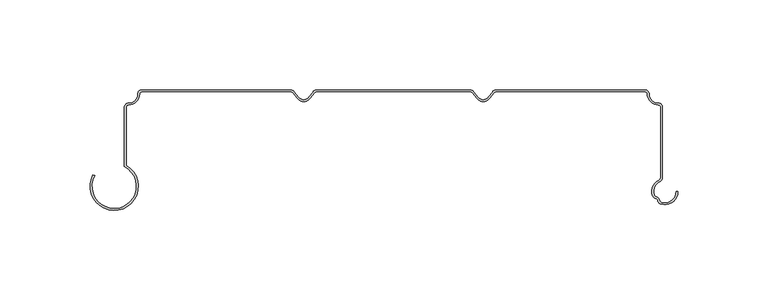
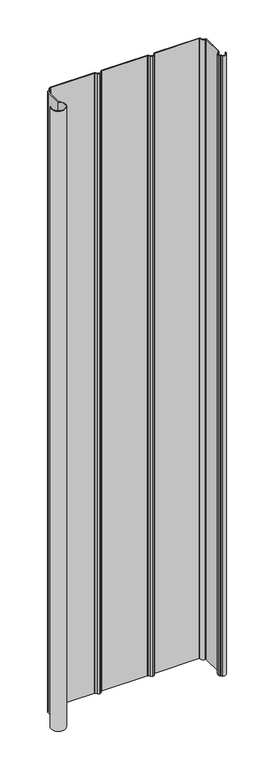
"""IFC4 building model written with IfcOpenShell, lengths in millimetres: plate geometry."""

from ifc_helpers import new_model, si_unit, point, frame_2d, origin, origin_with_axes, place, context, project, spatial, polyline, circle_curve, trimmed, segment, composite_curve, outline, extrude, source, transform, mapped, element, save


def plate_9a48e302(model_context):
    return source(origin(), model_context, "Body", "SweptSolid", [
        extrude(outline(composite_curve([segment(polyline([(56.6548352, 0.0), (139.6937357, 0.0)]), True, "CONTINUOUS"), segment(trimmed(circle_curve(frame_2d((139.6937357, -2.11836)), 2.11836), [point((139.6937357, 0.0))], [point((141.8120957, -2.11836))], False, "CARTESIAN"), True, "CONTINUOUS"), segment(trimmed(circle_curve(frame_2d((146.9540092, -2.11836)), 5.1419135), [point((141.8120957, -2.11836))], [point((146.9540091, -7.2602736))], True, "CARTESIAN"), True, "CONTINUOUS"), segment(trimmed(circle_curve(frame_2d((146.9540092, -9.5312641)), 2.2709905), [point((146.9540091, -7.2602736))], [point((149.2249996, -9.5312641))], False, "CARTESIAN"), True, "CONTINUOUS"), segment(polyline([(149.2249996, -9.5312641), (149.2249996, -48.255917)]), True, "CONTINUOUS"), segment(trimmed(circle_curve(frame_2d((146.0499997, -48.255917)), 3.1749999), [point((149.2249996, -48.255917))], [point((147.5667504, -51.0451986))], False, "CARTESIAN"), True, "CONTINUOUS"), segment(trimmed(circle_curve(frame_2d((150.5370539, -56.5075419)), 6.2177084), [point((147.5667504, -51.0451986))], [point((144.5477307, -58.1772442))], True, "CARTESIAN"), True, "CONTINUOUS"), segment(trimmed(circle_curve(frame_2d((146.0769196, -57.7509373)), 1.5875), [point((144.5477307, -58.1772442))], [point((145.7615584, -59.3067983))], True, "CARTESIAN"), True, "CONTINUOUS"), segment(trimmed(circle_curve(frame_2d((145.3071196, -61.5488102)), 2.287604), [point((145.7615584, -59.3067983))], [point((147.5643081, -61.1770147))], False, "CARTESIAN"), True, "CONTINUOUS"), segment(trimmed(circle_curve(frame_2d((149.1307011, -60.9190044)), 1.5875), [point((147.5643081, -61.1770147))], [point((148.6485231, -62.4315059))], True, "CARTESIAN"), True, "CONTINUOUS"), segment(trimmed(circle_curve(frame_2d((150.5370539, -56.5075419)), 6.2177083), [point((148.6485231, -62.4315059))], [point((156.7546724, -56.4741188))], True, "CARTESIAN"), True, "CONTINUOUS"), segment(polyline([(156.7546724, -56.4741188), (157.7706577, -56.4686574)]), True, "CONTINUOUS"), segment(trimmed(circle_curve(frame_2d((150.5370539, -56.5075419)), 7.2337083), [point((157.7706577, -56.4686574))], [point((148.3399291, -63.3995067))], False, "CARTESIAN"), True, "CONTINUOUS"), segment(trimmed(circle_curve(frame_2d((149.1307011, -60.9190044)), 2.6035), [point((148.3399291, -63.3995067))], [point((146.5618166, -61.3421413))], False, "CARTESIAN"), True, "CONTINUOUS"), segment(trimmed(circle_curve(frame_2d((145.3071196, -61.5488102)), 1.271604), [point((146.5618166, -61.3421413))], [point((145.5597272, -60.3025494))], True, "CARTESIAN"), True, "CONTINUOUS"), segment(trimmed(circle_curve(frame_2d((146.0769196, -57.7509373)), 2.6035), [point((145.5597272, -60.3025494))], [point((143.5690499, -58.4500807))], False, "CARTESIAN"), True, "CONTINUOUS"), segment(trimmed(circle_curve(frame_2d((150.5370539, -56.5075419)), 7.2337083), [point((143.5690499, -58.4500807))], [point((147.0813902, -50.1526285))], False, "CARTESIAN"), True, "CONTINUOUS"), segment(trimmed(circle_curve(frame_2d((146.0499997, -48.255917)), 2.159), [point((147.0813902, -50.1526285))], [point((148.2089997, -48.255917))], True, "CARTESIAN"), True, "CONTINUOUS"), segment(polyline([(148.2089997, -48.255917), (148.2089997, -9.5312641)]), True, "CONTINUOUS"), segment(trimmed(circle_curve(frame_2d((146.9540092, -9.5312641)), 1.2549906), [point((148.2089997, -9.5312641))], [point((146.9540092, -8.2762735))], True, "CARTESIAN"), True, "CONTINUOUS"), segment(trimmed(circle_curve(frame_2d((146.9540092, -2.11836)), 6.1579135), [point((146.9540092, -8.2762735))], [point((140.7960956, -2.11836))], False, "CARTESIAN"), True, "CONTINUOUS"), segment(trimmed(circle_curve(frame_2d((139.6937357, -2.11836)), 1.10236), [point((140.7960956, -2.11836))], [point((139.6937357, -1.016))], True, "CARTESIAN"), True, "CONTINUOUS"), segment(polyline([(139.6937357, -1.016), (56.7878615, -1.016)]), True, "CONTINUOUS"), segment(trimmed(circle_curve(frame_2d((56.9390147, -2.5726732)), 1.5639945), [point((56.7878615, -1.016))], [point((55.6647332, -1.6658736))], True, "CARTESIAN"), True, "CONTINUOUS"), segment(polyline([(55.6647332, -1.6658736), (53.4125307, -4.4520544)]), True, "CONTINUOUS"), segment(trimmed(circle_curve(frame_2d((49.4761067, -1.8878413)), 4.6979382), [point((53.4125307, -4.4520544))], [point((49.786951, -6.5754845))], False, "CARTESIAN"), True, "CONTINUOUS"), segment(trimmed(circle_curve(frame_2d((50.0968549, -1.8877792)), 4.697938), [point((49.786951, -6.5754845))], [point((46.1609447, -4.4527805))], False, "CARTESIAN"), True, "CONTINUOUS"), segment(polyline([(46.1609447, -4.4527805), (43.9081842, -1.6670508)]), True, "CONTINUOUS"), segment(trimmed(circle_curve(frame_2d((42.6310087, -2.5773045)), 1.5683556), [point((43.9081842, -1.6670508))], [point((42.7795597, -1.016))], True, "CARTESIAN"), True, "CONTINUOUS"), segment(polyline([(42.7795597, -1.016), (-42.786036, -1.016)]), True, "CONTINUOUS"), segment(trimmed(circle_curve(frame_2d((-42.6348829, -2.5726732)), 1.5639945), [point((-42.786036, -1.016))], [point((-43.9091643, -1.6658736))], True, "CARTESIAN"), True, "CONTINUOUS"), segment(polyline([(-43.9091643, -1.6658736), (-46.1613668, -4.4520544)]), True, "CONTINUOUS"), segment(trimmed(circle_curve(frame_2d((-50.0977909, -1.8878413)), 4.6979382), [point((-46.1613668, -4.4520544))], [point((-49.7869466, -6.5754845))], False, "CARTESIAN"), True, "CONTINUOUS"), segment(trimmed(circle_curve(frame_2d((-49.4770426, -1.8877792)), 4.697938), [point((-49.7869466, -6.5754845))], [point((-53.4129529, -4.4527805))], False, "CARTESIAN"), True, "CONTINUOUS"), segment(polyline([(-53.4129529, -4.4527805), (-55.6657133, -1.6670508)]), True, "CONTINUOUS"), segment(trimmed(circle_curve(frame_2d((-56.9428889, -2.5773045)), 1.5683556), [point((-55.6657133, -1.6670508))], [point((-56.7943378, -1.016))], True, "CARTESIAN"), True, "CONTINUOUS"), segment(polyline([(-56.7943378, -1.016), (-139.6937356, -1.016)]), True, "CONTINUOUS"), segment(trimmed(circle_curve(frame_2d((-139.6937356, -2.11836)), 1.10236), [point((-139.6937356, -1.016))], [point((-140.7960956, -2.11836))], True, "CARTESIAN"), True, "CONTINUOUS"), segment(trimmed(circle_curve(frame_2d((-146.9540091, -2.11836)), 6.1579136), [point((-140.7960956, -2.11836))], [point((-146.954009, -8.2762736))], False, "CARTESIAN"), True, "CONTINUOUS"), segment(trimmed(circle_curve(frame_2d((-146.954009, -9.531264)), 1.2549905), [point((-146.954009, -8.2762736))], [point((-148.2089995, -9.531264))], True, "CARTESIAN"), True, "CONTINUOUS"), segment(polyline([(-148.2089995, -9.531264), (-148.2089995, -41.9030792)]), True, "CONTINUOUS"), segment(trimmed(circle_curve(frame_2d((-154.8805878, -53.5211117)), 13.3973418), [point((-148.2089995, -41.9030792))], [point((-166.6360418, -47.0947543))], False, "CARTESIAN"), True, "CONTINUOUS"), segment(polyline([(-166.6360418, -47.0947543), (-165.7445559, -47.5821032)]), True, "CONTINUOUS"), segment(trimmed(circle_curve(frame_2d((-154.8805878, -53.5211117)), 12.3813418), [point((-165.7445559, -47.5821032))], [point((-149.2249995, -42.5069414))], True, "CARTESIAN"), True, "CONTINUOUS"), segment(polyline([(-149.2249995, -42.5069414), (-149.2249995, -9.531264)]), True, "CONTINUOUS"), segment(trimmed(circle_curve(frame_2d((-146.954009, -9.531264)), 2.2709905), [point((-149.2249995, -9.531264))], [point((-146.9540091, -7.2602736))], False, "CARTESIAN"), True, "CONTINUOUS"), segment(trimmed(circle_curve(frame_2d((-146.9540091, -2.11836)), 5.1419136), [point((-146.9540091, -7.2602736))], [point((-141.8120956, -2.11836))], True, "CARTESIAN"), True, "CONTINUOUS"), segment(trimmed(circle_curve(frame_2d((-139.6937356, -2.11836)), 2.11836), [point((-141.8120956, -2.11836))], [point((-139.6937356, 0.0))], False, "CARTESIAN"), True, "CONTINUOUS"), segment(polyline([(-139.6937356, 0.0), (-56.730755, 0.0)]), True, "CONTINUOUS"), segment(trimmed(circle_curve(frame_2d((-56.9262942, -2.3343375)), 2.342513), [point((-56.730755, 0.0))], [point((-54.9776099, -1.0343389))], False, "CARTESIAN"), True, "CONTINUOUS"), segment(polyline([(-54.9776099, -1.0343389), (-52.7248495, -3.8200686)]), True, "CONTINUOUS"), segment(trimmed(circle_curve(frame_2d((-49.4770426, -1.6534042)), 3.904188), [point((-52.7248495, -3.8200686))], [point((-49.787027, -5.5452667))], True, "CARTESIAN"), True, "CONTINUOUS"), segment(trimmed(circle_curve(frame_2d((-50.0977907, -1.6534664)), 3.904188), [point((-49.787027, -5.5452667))], [point((-46.84955, -3.8194802))], True, "CARTESIAN"), True, "CONTINUOUS"), segment(polyline([(-46.84955, -3.8194802), (-44.6029896, -1.0402792)]), True, "CONTINUOUS"), segment(trimmed(circle_curve(frame_2d((-42.6451465, -2.326443)), 2.342513), [point((-44.6029896, -1.0402792))], [point((-42.9190623, 0.0))], False, "CARTESIAN"), True, "CONTINUOUS"), segment(polyline([(-42.9190623, 0.0), (42.8431425, 0.0)]), True, "CONTINUOUS"), segment(trimmed(circle_curve(frame_2d((42.6476033, -2.3343375)), 2.342513), [point((42.8431425, 0.0))], [point((44.5962876, -1.0343389))], False, "CARTESIAN"), True, "CONTINUOUS"), segment(polyline([(44.5962876, -1.0343389), (46.8490481, -3.8200686)]), True, "CONTINUOUS"), segment(trimmed(circle_curve(frame_2d((50.0968549, -1.6534042)), 3.904188), [point((46.8490481, -3.8200686))], [point((49.7868714, -5.5452667))], True, "CARTESIAN"), True, "CONTINUOUS"), segment(trimmed(circle_curve(frame_2d((49.4761067, -1.6534664)), 3.9041881), [point((49.7868714, -5.5452667))], [point((52.7243475, -3.8194802))], True, "CARTESIAN"), True, "CONTINUOUS"), segment(polyline([(52.7243475, -3.8194802), (54.970908, -1.0402792)]), True, "CONTINUOUS"), segment(trimmed(circle_curve(frame_2d((56.9287511, -2.326443)), 2.342513), [point((54.970908, -1.0402792))], [point((56.6548352, 0.0))], False, "CARTESIAN"), True, "CONTINUOUS")], self_intersect=False)), origin_with_axes(), (0.0, 0.0, 1.0), 1228.3559792),
    ])


if __name__ == "__main__":
    model = new_model("IFC4")
    model_context = context("Model", 3, world=origin())
    ifc_project = project(units=[si_unit("LENGTHUNIT", "METRE", prefix="MILLI")], contexts=[model_context])
    site = spatial("IfcSite", under=ifc_project)
    building = spatial("IfcBuilding", under=site)
    placement = place(None, origin())
    plate_shape = plate_9a48e302(model_context)
    element("IfcPlate", 1, at=placement, inside=building, context=model_context, shape_type="MappedRepresentation", body=[
        mapped(plate_shape, transform((0.0, 0.0, 0.0), x_axis=(1.0, 0.0, 0.0), y_axis=(0.0, 1.0, 0.0), z_axis=(0.0, 0.0, 1.0))),
    ])
    save(model, "model.ifc")
